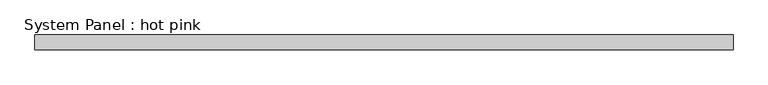
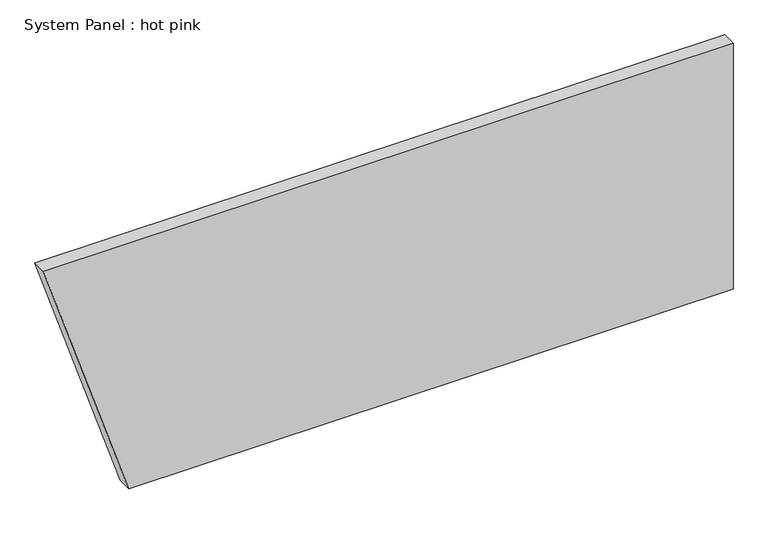
"""IFC4 building model written with IfcOpenShell, lengths in millimetres: plate geometry, System Panel : hot pink."""

from ifc_helpers import new_model, si_unit, frame, origin, place, context, project, spatial, polyline, outline, extrude, source, transform, mapped, element, save


def system_panel_hot_pink_5141e24f(model_context):
    return source(origin(), model_context, "Body", "SweptSolid", [
        extrude(outline(polyline([(0.0, -1122.846361), (0.0, 1491.340792), (1123.95, 1491.340792), (1123.95, -1491.340792), (0.0, -1122.846361)])), frame((0.0, -44.45, 0.0), z_axis=(0.0, 1.0, 0.0), x_axis=(0.0, 0.0, 1.0)), (0.0, 0.0, 1.0), 63.5),
    ])


if __name__ == "__main__":
    model = new_model("IFC4")
    model_context = context("Model", 3, world=origin())
    ifc_project = project(units=[si_unit("LENGTHUNIT", "METRE", prefix="MILLI")], contexts=[model_context])
    site = spatial("IfcSite", under=ifc_project)
    building = spatial("IfcBuilding", under=site)
    placement = place(None, origin())
    system_panel_hot_pink_shape = system_panel_hot_pink_5141e24f(model_context)
    element("IfcPlate", 1, ObjectType="System Panel : hot pink", at=placement, inside=building, context=model_context, shape_type="MappedRepresentation", body=[
        mapped(system_panel_hot_pink_shape, transform((0.0, 0.0, 0.0), x_axis=(1.0, 0.0, 0.0), y_axis=(0.0, 1.0, 0.0), z_axis=(0.0, 0.0, 1.0))),
    ])
    save(model, "model.ifc")
